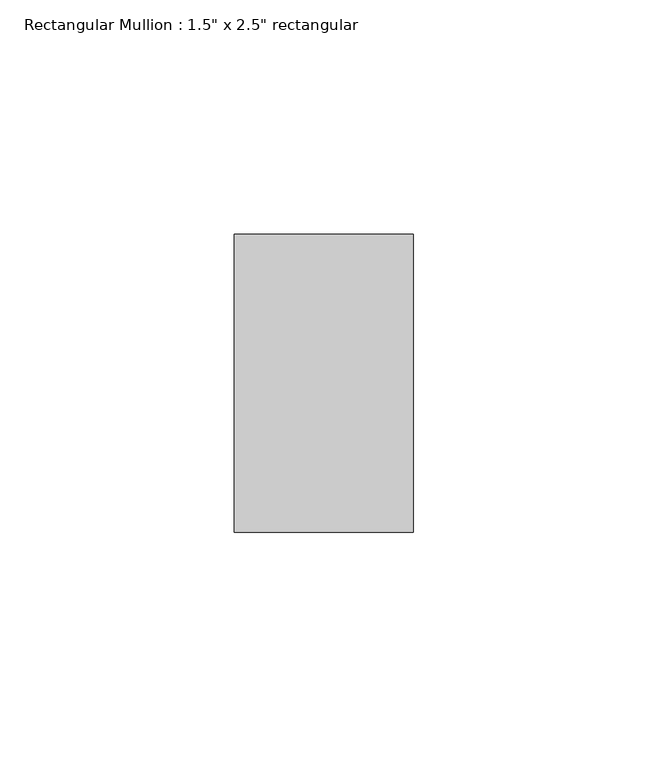
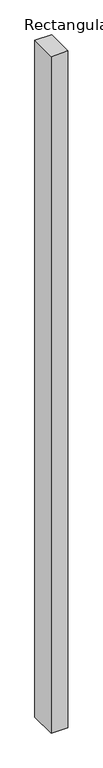
"""IFC4 building model written with IfcOpenShell, lengths in millimetres: member geometry."""

from ifc_helpers import new_model, si_unit, frame, origin, place, context, project, spatial, polyline, outline, extrude, source, transform, mapped, element, save


def member_e0a48eea(model_context):
    return source(origin(), model_context, "Body", "SweptSolid", [
        extrude(outline(polyline([(19.05, -19.05), (19.05, -82.55), (-19.05, -82.55), (-19.05, -19.05), (19.05, -19.05)])), frame((0.0, 0.0, -1621.5271838), z_axis=(0.0, 0.0, 1.0), x_axis=(1.0, 0.0, 0.0)), (0.0, 0.0, 1.0), 1621.5271838),
    ])


if __name__ == "__main__":
    model = new_model("IFC4")
    model_context = context("Model", 3, world=origin())
    ifc_project = project(units=[si_unit("LENGTHUNIT", "METRE", prefix="MILLI")], contexts=[model_context])
    site = spatial("IfcSite", under=ifc_project)
    building = spatial("IfcBuilding", under=site)
    placement = place(None, origin())
    member_shape = member_e0a48eea(model_context)
    element("IfcMember", 1, ObjectType="Rectangular Mullion : 1.5\" x 2.5\" rectangular", at=placement, inside=building, context=model_context, shape_type="MappedRepresentation", body=[
        mapped(member_shape, transform((0.0, 0.0, 0.0), x_axis=(1.0, 0.0, 0.0), y_axis=(0.0, 1.0, 0.0), z_axis=(0.0, 0.0, 1.0))),
    ])
    save(model, "model.ifc")
